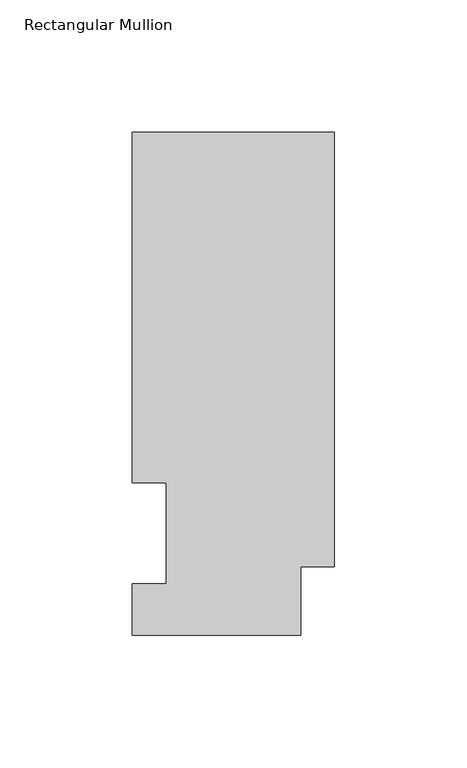
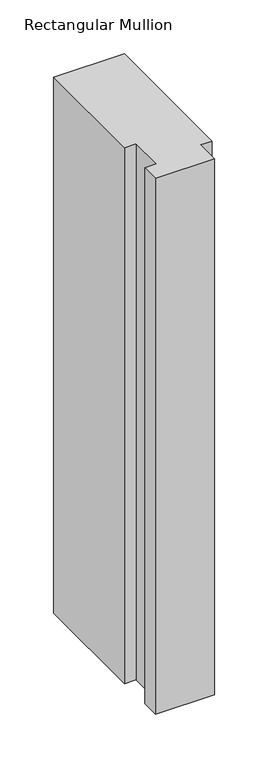
"""IFC4 building model written with IfcOpenShell, lengths in millimetres: member geometry, Rectangular Mullion."""

from ifc_helpers import new_model, si_unit, frame, origin, place, context, project, spatial, polyline, outline, extrude, source, transform, mapped, element, save


def rectangular_mullion_59c95c7e(model_context):
    return source(origin(), model_context, "Body", "SweptSolid", [
        extrude(outline(polyline([(-76.2, 189.8022937), (0.0, 189.8022938), (0.0, 25.8955957), (-12.7, 25.8955957), (-12.7, 0.0134938), (-76.2, 0.0134938), (-76.2, 19.5460938), (-63.5, 19.5460938), (-63.5, 57.6460937), (-76.2, 57.6460937), (-76.2, 189.8022937)])), frame((0.0, 0.0, -609.6), z_axis=(0.0, 0.0, 1.0), x_axis=(1.0, 0.0, 0.0)), (0.0, 0.0, 1.0), 609.6),
    ])


if __name__ == "__main__":
    model = new_model("IFC4")
    model_context = context("Model", 3, world=origin())
    ifc_project = project(units=[si_unit("LENGTHUNIT", "METRE", prefix="MILLI")], contexts=[model_context])
    site = spatial("IfcSite", under=ifc_project)
    building = spatial("IfcBuilding", under=site)
    placement = place(None, origin())
    rectangular_mullion_shape = rectangular_mullion_59c95c7e(model_context)
    element("IfcMember", 1, ObjectType="Rectangular Mullion", at=placement, inside=building, context=model_context, shape_type="MappedRepresentation", body=[
        mapped(rectangular_mullion_shape, transform((0.0, 0.0, 0.0), x_axis=(1.0, 0.0, 0.0), y_axis=(0.0, 1.0, 0.0), z_axis=(0.0, 0.0, 1.0))),
    ])
    save(model, "model.ifc")
